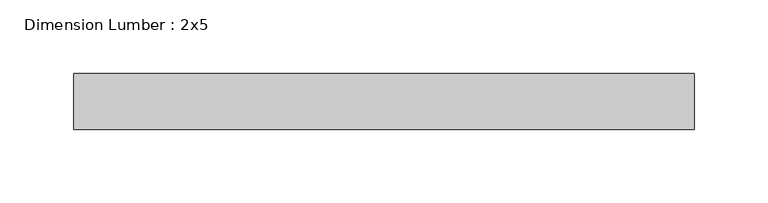
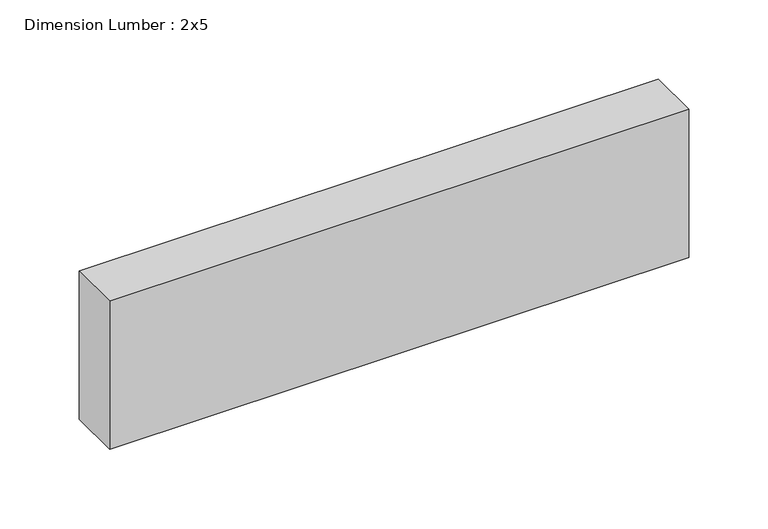
"""IFC4 building model written with IfcOpenShell, lengths in millimetres: beam geometry, Dimension Lumber : 2x5."""

from ifc_helpers import new_model, si_unit, frame, origin, place, context, project, spatial, polyline, outline, extrude, source, transform, mapped, element, save


def dimension_lumber_2x5_92b75288(model_context):
    return source(origin(), model_context, "Body", "SweptSolid", [
        extrude(outline(polyline([(208.3204697, 19.05), (208.3204697, -19.05), (-212.9680614, -19.05), (-212.9680614, 19.05), (208.3204697, 19.05)])), frame((0.0, 0.0, -57.15), z_axis=(0.0, 0.0, 1.0), x_axis=(1.0, 0.0, 0.0)), (0.0, 0.0, 1.0), 114.3),
    ])


if __name__ == "__main__":
    model = new_model("IFC4")
    model_context = context("Model", 3, world=origin())
    ifc_project = project(units=[si_unit("LENGTHUNIT", "METRE", prefix="MILLI")], contexts=[model_context])
    site = spatial("IfcSite", under=ifc_project)
    building = spatial("IfcBuilding", under=site)
    placement = place(None, origin())
    dimension_lumber_2x5_shape = dimension_lumber_2x5_92b75288(model_context)
    element("IfcBeam", 1, ObjectType="Dimension Lumber : 2x5", at=placement, inside=building, context=model_context, shape_type="MappedRepresentation", body=[
        mapped(dimension_lumber_2x5_shape, transform((0.0, 0.0, 0.0), x_axis=(1.0, 0.0, 0.0), y_axis=(0.0, 1.0, 0.0), z_axis=(0.0, 0.0, 1.0))),
    ])
    save(model, "model.ifc")
